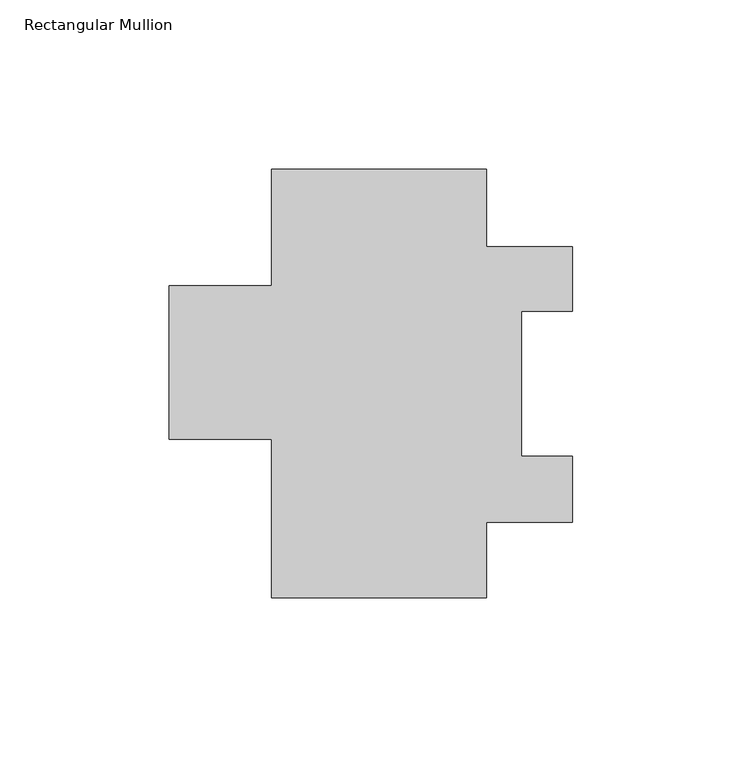
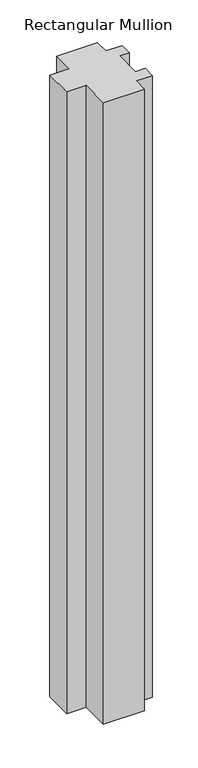
"""IFC4 building model written with IfcOpenShell, lengths in millimetres: member geometry, Rectangular Mullion."""

import ifcopenshell
import ifcopenshell.guid

model = None  # the IFC model being written
_history = None  # IfcOwnerHistory: only IFC2X3 demands one
_inside = {}  # id of a spatial element -> (the spatial element, [elements in it])
_under = {}  # id of a project, library or spatial element -> (it, [spatial elements below it])
_declared = {}  # id of a project -> (the project, [libraries it declares])
_typed = {}  # id of a type object -> (the type object, [elements of that type])
_made_of = {}  # id of a material, layer set ... -> (it, [elements and type objects made of it])


def new_model(schema):
    """Start an empty IFC model of exactly this schema.

    Asked for "IFC4X3", IfcOpenShell would pick the latest addendum, in which some entities
    have other attributes; the version numbers below select the first issue.
    IFC2X3 requires an IfcOwnerHistory on every rooted entity: one is made here for all.
    """
    global model, _history
    if schema == "IFC4X3":
        model = ifcopenshell.file(schema_version=(4, 3, 0, 0))
    else:
        model = ifcopenshell.file(schema=schema)
    _inside.clear()
    _under.clear()
    _declared.clear()
    _typed.clear()
    _made_of.clear()
    _history = None
    if model.schema == "IFC2X3":
        org = make("IfcOrganization", Name="unknown")
        user = make(
            "IfcPersonAndOrganization",
            ThePerson=make("IfcPerson", FamilyName="unknown"),
            TheOrganization=org,
        )
        app = make(
            "IfcApplication",
            ApplicationDeveloper=org,
            Version="unknown",
            ApplicationFullName="unknown",
            ApplicationIdentifier="unknown",
        )
        _history = make(
            "IfcOwnerHistory",
            OwningUser=user,
            OwningApplication=app,
            ChangeAction="ADDED",
            CreationDate=0,
        )
    return model


def make(cls, **values):
    """One entity of the class cls with the attributes given. An attribute that is None is left unset."""
    return model.create_entity(
        cls, **{name: value for name, value in values.items() if value is not None}
    )


def rooted(cls, **values):
    """An entity with a GlobalId (a new one), such as an element, a storey or a relation."""
    return make(cls, GlobalId=ifcopenshell.guid.new(), OwnerHistory=_history, **values)


def si_unit(unit_type, name, prefix=None):
    """IfcSIUnit, for example si_unit("LENGTHUNIT", "METRE", prefix="MILLI")."""
    return make("IfcSIUnit", UnitType=unit_type, Prefix=prefix, Name=name)


def assignment(units):
    """IfcUnitAssignment: the units of a project."""
    return None if units is None else make("IfcUnitAssignment", Units=units)


def point(xyz):
    """IfcCartesianPoint."""
    return None if xyz is None else make("IfcCartesianPoint", Coordinates=xyz)


def direction(xyz):
    """IfcDirection."""
    return None if xyz is None else make("IfcDirection", DirectionRatios=xyz)


def frame(location, z_axis=None, x_axis=None):
    """IfcAxis2Placement3D, a coordinate frame: its origin and axes. An axis left out is left unset."""
    return make(
        "IfcAxis2Placement3D",
        Location=point(location),
        Axis=direction(z_axis),
        RefDirection=direction(x_axis),
    )


def origin():
    """The frame at (0, 0, 0) with its axes left unset."""
    return frame((0.0, 0.0, 0.0))


def place(relative_to, where):
    """IfcLocalPlacement: puts the frame where relative to a parent placement (None: the world)."""
    return make(
        "IfcLocalPlacement", PlacementRelTo=relative_to, RelativePlacement=where
    )


def context(
    kind, dimensions, precision=None, world=None, true_north=None, identifier=None
):
    """IfcGeometricRepresentationContext, for example the 3D "Model" context."""
    return make(
        "IfcGeometricRepresentationContext",
        ContextIdentifier=identifier,
        ContextType=kind,
        CoordinateSpaceDimension=dimensions,
        Precision=precision,
        WorldCoordinateSystem=world,
        TrueNorth=true_north,
    )


def project(units=None, contexts=None):
    """IfcProject with its units and contexts."""
    return rooted(
        "IfcProject",
        Name="project",
        RepresentationContexts=contexts,
        UnitsInContext=assignment(units),
    )


def spatial(cls, under=None, at=None, **own):
    """A site, building, storey or space (cls), placed at a placement, below another one or the project."""
    s = rooted(cls, ObjectPlacement=at, **own)
    if under is not None:
        _under.setdefault(under.id(), (under, []))[1].append(s)
    return s


def polyline(points):
    """IfcPolyline through the points."""
    return make("IfcPolyline", Points=[point(p) for p in points])


def outline(outer, holes=None, kind="AREA"):
    """IfcArbitraryClosedProfileDef: a profile drawn as a closed curve; with holes, ...WithVoids."""
    if holes is None:
        return make("IfcArbitraryClosedProfileDef", ProfileType=kind, OuterCurve=outer)
    return make(
        "IfcArbitraryProfileDefWithVoids",
        ProfileType=kind,
        OuterCurve=outer,
        InnerCurves=holes,
    )


def extrude(swept, where, along, depth):
    """IfcExtrudedAreaSolid: the profile swept, set in the frame where, extruded along a direction by depth."""
    return make(
        "IfcExtrudedAreaSolid",
        SweptArea=swept,
        Position=where,
        ExtrudedDirection=direction(along),
        Depth=depth,
    )


def shape(context_of_items, identifier, shape_type, items):
    """IfcShapeRepresentation: the items that make up one representation, for example the "Body"."""
    return make(
        "IfcShapeRepresentation",
        ContextOfItems=context_of_items,
        RepresentationIdentifier=identifier,
        RepresentationType=shape_type,
        Items=items,
    )


def source(mapping_origin, context_of_items, identifier, shape_type, items):
    """IfcRepresentationMap: a shape defined once, which mapped items show again and again."""
    return make(
        "IfcRepresentationMap",
        MappingOrigin=mapping_origin,
        MappedRepresentation=shape(context_of_items, identifier, shape_type, items),
    )


def transform(
    local_origin,
    x_axis=None,
    y_axis=None,
    z_axis=None,
    scale=None,
    scale2=None,
    scale3=None,
    uniform=True,
):
    """IfcCartesianTransformationOperator3D, or its non-uniform kind. x_axis, y_axis, z_axis: its Axis1, 2, 3."""
    if uniform:
        return make(
            "IfcCartesianTransformationOperator3D",
            Axis1=direction(x_axis),
            Axis2=direction(y_axis),
            LocalOrigin=point(local_origin),
            Scale=scale,
            Axis3=direction(z_axis),
        )
    return make(
        "IfcCartesianTransformationOperator3DnonUniform",
        Axis1=direction(x_axis),
        Axis2=direction(y_axis),
        LocalOrigin=point(local_origin),
        Scale=scale,
        Axis3=direction(z_axis),
        Scale2=scale2,
        Scale3=scale3,
    )


def mapped(mapping_source, mapping_target):
    """IfcMappedItem: shows the shape of a source again, moved by a transform."""
    return make(
        "IfcMappedItem", MappingSource=mapping_source, MappingTarget=mapping_target
    )


def made_of(thing, what):
    """Note that an element or type object is made of a material, layer set ...; save() writes the relation."""
    if what is not None:
        _made_of.setdefault(what.id(), (what, []))[1].append(thing)
    return thing


def element(
    cls,
    number,
    at=None,
    inside=None,
    cuts=None,
    type_object=None,
    material=None,
    context=None,
    identifier="Body",
    shape_type=None,
    held_by="IfcProductDefinitionShape",
    body=None,
    shapes=None,
    **own,
):
    """One element of the class cls, such as IfcWall. Its Tag is "e" and its number.

    at: its placement. inside: the storey or other place that contains it. cuts: it is an
    opening in that element (IfcRelVoidsElement). A single representation is given by context,
    identifier, shape_type and body (its items); several are given by shapes. held_by: the class
    of the entity that holds the representations. save() writes the other relations.
    """
    e = rooted(cls, Tag="e%d" % number, ObjectPlacement=at, **own)
    if body is not None:
        shapes = [shape(context, identifier, shape_type, body)]
    if shapes is not None:
        e.Representation = make(held_by, Representations=shapes)
    if inside is not None:
        _inside.setdefault(inside.id(), (inside, []))[1].append(e)
    if cuts is not None:
        rooted(
            "IfcRelVoidsElement", RelatingBuildingElement=cuts, RelatedOpeningElement=e
        )
    if type_object is not None:
        _typed.setdefault(type_object.id(), (type_object, []))[1].append(e)
    return made_of(e, material)


def aggregate(whole, parts):
    """IfcRelAggregates: a whole, such as a stair, and the parts it consists of."""
    return rooted("IfcRelAggregates", RelatingObject=whole, RelatedObjects=parts)


def save(model, path):
    """Write the relations noted so far, then the file.

    IfcRelAggregates (storeys below a building ...), IfcRelContainedInSpatialStructure (elements
    in a storey), IfcRelDefinesByType, IfcRelAssociatesMaterial and IfcRelDeclares: one each for
    every whole, place, type object, material and project.
    """
    for whole, parts in _under.values():
        aggregate(whole, parts)
    for where, things in _inside.values():
        rooted(
            "IfcRelContainedInSpatialStructure",
            RelatedElements=things,
            RelatingStructure=where,
        )
    for kind, things in _typed.values():
        rooted("IfcRelDefinesByType", RelatedObjects=things, RelatingType=kind)
    for what, things in _made_of.values():
        rooted("IfcRelAssociatesMaterial", RelatedObjects=things, RelatingMaterial=what)
    for by, libraries in _declared.values():
        rooted("IfcRelDeclares", RelatingContext=by, RelatedDefinitions=libraries)
    model.write(path)


def rectangular_mullion_4ec0a612(model_context):
    return source(origin(), model_context, "Body", "SweptSolid", [
        extrude(outline(polyline([(-63.5, 126.7388563), (0.0, 126.7388563), (0.0, 103.9677562), (25.4, 103.9677562), (25.4, 84.9177562), (10.3124, 84.9177562), (10.3124, 42.0679562), (25.4, 42.0679562), (25.4, 22.5861562), (0.0, 22.5861562), (0.0, 0.2468563), (-63.5, 0.2468563), (-63.5, 47.1098562), (-93.6752, 47.1098562), (-93.6752, 92.3726563), (-63.5, 92.3726563), (-63.5, 126.7388563)])), frame((0.0, 0.0, -1022.35), z_axis=(0.0, 0.0, 1.0), x_axis=(1.0, 0.0, 0.0)), (0.0, 0.0, 1.0), 1022.35),
    ])


if __name__ == "__main__":
    model = new_model("IFC4")
    model_context = context("Model", 3, world=origin())
    ifc_project = project(units=[si_unit("LENGTHUNIT", "METRE", prefix="MILLI")], contexts=[model_context])
    site = spatial("IfcSite", under=ifc_project)
    building = spatial("IfcBuilding", under=site)
    placement = place(None, origin())
    rectangular_mullion_shape = rectangular_mullion_4ec0a612(model_context)
    element("IfcMember", 1, ObjectType="Rectangular Mullion", at=placement, inside=building, context=model_context, shape_type="MappedRepresentation", body=[
        mapped(rectangular_mullion_shape, transform((0.0, 0.0, 0.0), x_axis=(1.0, 0.0, 0.0), y_axis=(0.0, 1.0, 0.0), z_axis=(0.0, 0.0, 1.0))),
    ])
    save(model, "model.ifc")
